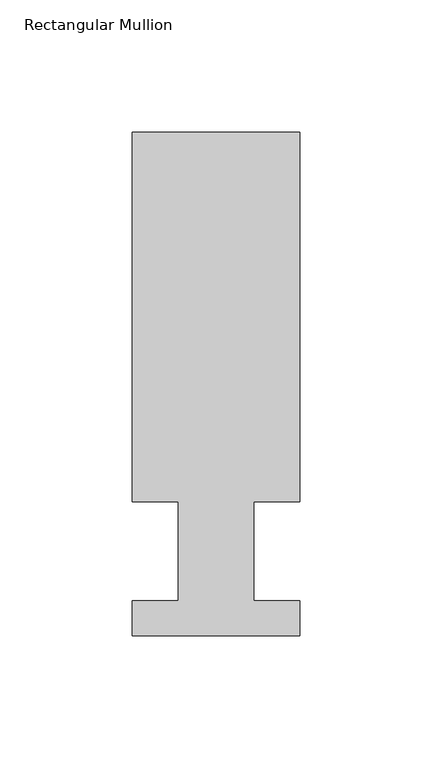
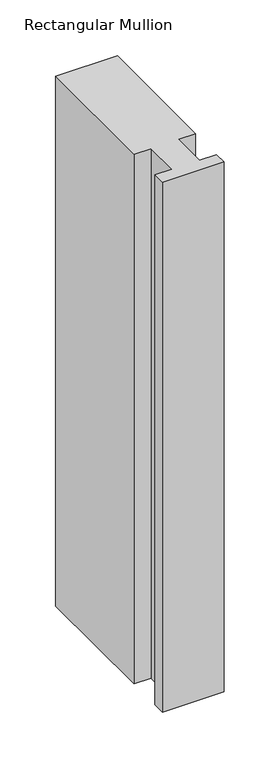
"""IFC4 building model written with IfcOpenShell, lengths in millimetres: member geometry, Rectangular Mullion."""

from ifc_helpers import new_model, si_unit, frame, origin, place, context, project, spatial, polyline, outline, extrude, source, transform, mapped, element, save


def rectangular_mullion_f22adb6f(model_context):
    return source(origin(), model_context, "Body", "SweptSolid", [
        extrude(outline(polyline([(-63.4999996, 190.7881313), (9e-07, 190.7881313), (9e-07, 50.8087294), (-17.4624995, 50.8087294), (-17.4624995, 13.3945312), (8e-07, 13.3945312), (8e-07, 0.2119312), (-63.4999992, 0.2119312), (-63.4999992, 13.3945312), (-46.0247992, 13.3945312), (-46.0247992, 50.8087294), (-63.4999996, 50.8087294), (-63.4999996, 190.7881313)])), frame((0.0, 0.0, -577.8499996), z_axis=(0.0, 0.0, 1.0), x_axis=(1.0, 0.0, 0.0)), (0.0, 0.0, 1.0), 577.8499996),
    ])


if __name__ == "__main__":
    model = new_model("IFC4")
    model_context = context("Model", 3, world=origin())
    ifc_project = project(units=[si_unit("LENGTHUNIT", "METRE", prefix="MILLI")], contexts=[model_context])
    site = spatial("IfcSite", under=ifc_project)
    building = spatial("IfcBuilding", under=site)
    placement = place(None, origin())
    rectangular_mullion_shape = rectangular_mullion_f22adb6f(model_context)
    element("IfcMember", 1, ObjectType="Rectangular Mullion", at=placement, inside=building, context=model_context, shape_type="MappedRepresentation", body=[
        mapped(rectangular_mullion_shape, transform((0.0, 0.0, 0.0), x_axis=(1.0, 0.0, 0.0), y_axis=(0.0, 1.0, 0.0), z_axis=(0.0, 0.0, 1.0))),
    ])
    save(model, "model.ifc")
